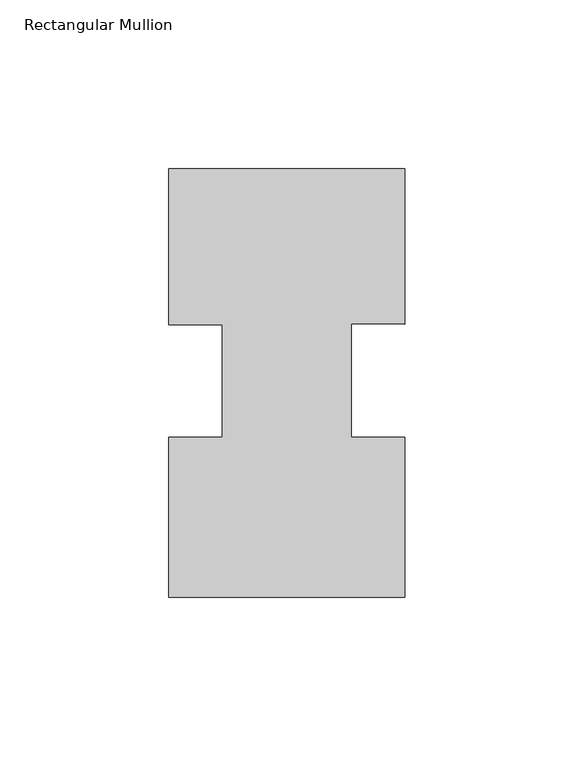
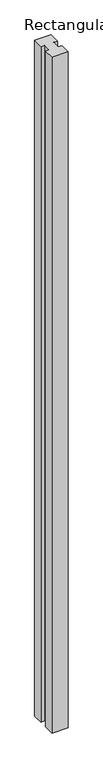
"""IFC4 building model written with IfcOpenShell, lengths in millimetres: member geometry, Rectangular Mullion."""

from ifc_helpers import new_model, si_unit, frame, origin, place, context, project, spatial, polyline, outline, extrude, source, transform, mapped, element, save


def rectangular_mullion_0fd713ed(model_context):
    return source(origin(), model_context, "Body", "SweptSolid", [
        extrude(outline(polyline([(-69.9423164, -63.5), (-69.9423164, -16.0401), (-54.0673164, -16.0401), (-54.0673164, 17.3187346), (-69.9423164, 17.3187346), (-69.9423164, 63.5), (0.0, 63.5), (0.0, 17.3908181), (-15.8750006, 17.5848673), (-15.8750006, -16.0406112), (-6e-07, -16.0406112), (-6e-07, -63.5), (-69.9423164, -63.5)])), frame((0.0, 0.0, -3048.0), z_axis=(0.0, 0.0, 1.0), x_axis=(1.0, 0.0, 0.0)), (0.0, 0.0, 1.0), 3048.0),
    ])


if __name__ == "__main__":
    model = new_model("IFC4")
    model_context = context("Model", 3, world=origin())
    ifc_project = project(units=[si_unit("LENGTHUNIT", "METRE", prefix="MILLI")], contexts=[model_context])
    site = spatial("IfcSite", under=ifc_project)
    building = spatial("IfcBuilding", under=site)
    placement = place(None, origin())
    rectangular_mullion_shape = rectangular_mullion_0fd713ed(model_context)
    element("IfcMember", 1, ObjectType="Rectangular Mullion", at=placement, inside=building, context=model_context, shape_type="MappedRepresentation", body=[
        mapped(rectangular_mullion_shape, transform((0.0, 0.0, 0.0), x_axis=(1.0, 0.0, 0.0), y_axis=(0.0, 1.0, 0.0), z_axis=(0.0, 0.0, 1.0))),
    ])
    save(model, "model.ifc")
